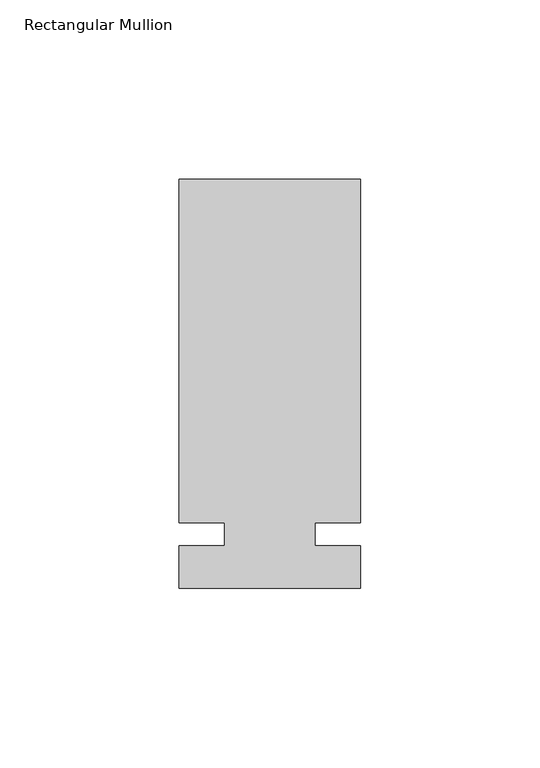
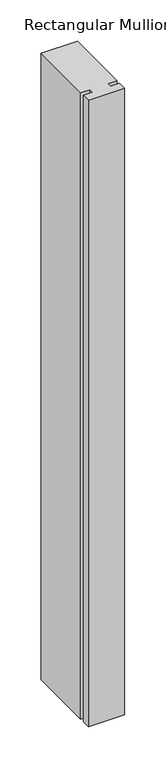
"""IFC4 building model written with IfcOpenShell, lengths in millimetres: member geometry, Rectangular Mullion."""

from ifc_helpers import new_model, si_unit, frame, origin, place, context, project, spatial, polyline, outline, extrude, source, transform, mapped, element, save


def rectangular_mullion_b33bfa2d(model_context):
    return source(origin(), model_context, "Body", "SweptSolid", [
        extrude(outline(polyline([(29.7344027, 99.21875), (29.7344027, 3.175), (17.0326322, 3.175), (17.0326322, -3.175), (29.7344027, -3.175), (29.7344027, -15.08125), (-21.0655973, -15.08125), (-21.0655973, -3.175), (-8.3655973, -3.175), (-8.3655973, 3.175), (-21.0655973, 3.175), (-21.0655973, 99.21875), (29.7344027, 99.21875)])), frame((0.0, 0.0, -925.9405973), z_axis=(0.0, 0.0, 1.0), x_axis=(1.0, 0.0, 0.0)), (0.0, 0.0, 1.0), 925.9405973),
    ])


if __name__ == "__main__":
    model = new_model("IFC4")
    model_context = context("Model", 3, world=origin())
    ifc_project = project(units=[si_unit("LENGTHUNIT", "METRE", prefix="MILLI")], contexts=[model_context])
    site = spatial("IfcSite", under=ifc_project)
    building = spatial("IfcBuilding", under=site)
    placement = place(None, origin())
    rectangular_mullion_shape = rectangular_mullion_b33bfa2d(model_context)
    element("IfcMember", 1, ObjectType="Rectangular Mullion", at=placement, inside=building, context=model_context, shape_type="MappedRepresentation", body=[
        mapped(rectangular_mullion_shape, transform((0.0, 0.0, 0.0), x_axis=(1.0, 0.0, 0.0), y_axis=(0.0, 1.0, 0.0), z_axis=(0.0, 0.0, 1.0))),
    ])
    save(model, "model.ifc")
